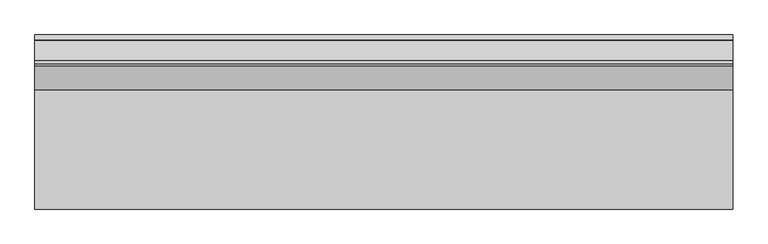
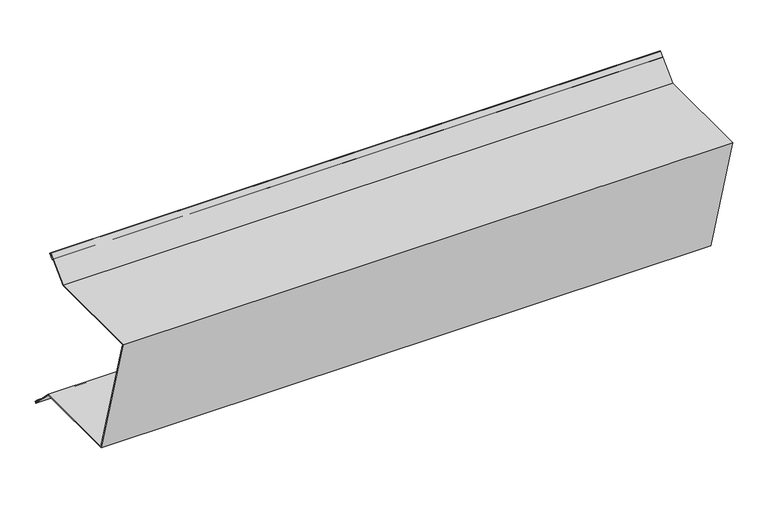
"""IFC4 building model written with IfcOpenShell, lengths in millimetres: proxy geometry."""

from ifc_helpers import new_model, si_unit, origin, place, context, project, spatial, faceted_brep, source, transform, mapped, element, save


def generic_models_e9c3beea(model_context):
    return source(origin(), model_context, "Body", "Brep", [
        faceted_brep([(0.0, -65.0364677, 0.0), (0.0, -66.0767672, 0.0), (0.0, -66.9370033, 3.0), (0.0, 103.0629967, 3.0), (0.0, 138.4183357, 38.3553391), (0.0, 140.5396561, 36.2340187), (0.0, 133.4685883, 29.1629509), (0.0, 132.7614815, 29.8700577), (0.0, 139.1254425, 36.2340187), (0.0, 138.4183357, 36.9411255), (0.0, 103.4772102, 2.0), (0.0, -65.6099585, 2.0), (0.0, -4.2464459, -212.0), (0.0, 145.4142136, -212.0), (0.0, 180.3553391, -246.9411255), (0.0, 181.0624458, -246.2340187), (0.0, 174.6984848, -239.8700577), (0.0, 175.4055916, -239.1629509), (0.0, 182.4766594, -246.2340187), (0.0, 180.3553391, -248.3553391), (0.0, 145.0, -213.0), (0.0, -5.0, -213.0), (1000.0, -66.0767672, 0.0), (1000.0, -65.0364677, 0.0), (1000.0, -65.6099585, 2.0), (1000.0, 103.4772102, 2.0), (1000.0, 138.4183357, 36.9411255), (1000.0, 139.1254425, 36.2340187), (1000.0, 132.7614815, 29.8700577), (1000.0, 133.4685883, 29.1629509), (1000.0, 140.5396561, 36.2340187), (1000.0, 138.4183357, 38.3553391), (1000.0, 103.0629967, 3.0), (1000.0, -66.9370033, 3.0), (1000.0, -5.0, -213.0), (1000.0, 145.0, -213.0), (1000.0, 180.3553391, -248.3553391), (1000.0, 182.4766594, -246.2340187), (1000.0, 175.4055916, -239.1629509), (1000.0, 174.6984848, -239.8700577), (1000.0, 181.0624458, -246.2340187), (1000.0, 180.3553391, -246.9411255), (1000.0, 145.4142136, -212.0), (1000.0, -4.2464459, -212.0)], [[[0, 1, 2, 3, 4, 5, 6, 7, 8, 9, 10, 11]], [[1, 0, 12, 13, 14, 15, 16, 17, 18, 19, 20, 21]], [[22, 23, 24, 25, 26, 27, 28, 29, 30, 31, 32, 33]], [[23, 22, 34, 35, 36, 37, 38, 39, 40, 41, 42, 43]], [[3, 2, 33, 32]], [[20, 19, 36, 35]], [[21, 20, 35, 34]], [[19, 18, 37, 36]], [[18, 17, 38, 37]], [[7, 6, 29, 28]], [[8, 7, 28, 27]], [[9, 8, 27, 26]], [[10, 9, 26, 25]], [[11, 10, 25, 24]], [[0, 11, 24, 23, 43, 12]], [[13, 12, 43, 42]], [[14, 13, 42, 41]], [[15, 14, 41, 40]], [[16, 15, 40, 39]], [[17, 16, 39, 38]], [[2, 1, 21, 34, 22, 33]], [[6, 5, 30, 29]], [[5, 4, 31, 30]], [[4, 3, 32, 31]]]),
    ])


if __name__ == "__main__":
    model = new_model("IFC4")
    model_context = context("Model", 3, world=origin())
    ifc_project = project(units=[si_unit("LENGTHUNIT", "METRE", prefix="MILLI")], contexts=[model_context])
    site = spatial("IfcSite", under=ifc_project)
    building = spatial("IfcBuilding", under=site)
    placement = place(None, origin())
    generic_models_shape = generic_models_e9c3beea(model_context)
    element("IfcBuildingElementProxy", 1, Name="Generic Models", at=placement, inside=building, context=model_context, shape_type="MappedRepresentation", body=[
        mapped(generic_models_shape, transform((0.0, 0.0, 0.0), x_axis=(1.0, 0.0, 0.0), y_axis=(0.0, 1.0, 0.0), z_axis=(0.0, 0.0, 1.0))),
    ])
    save(model, "model.ifc")
